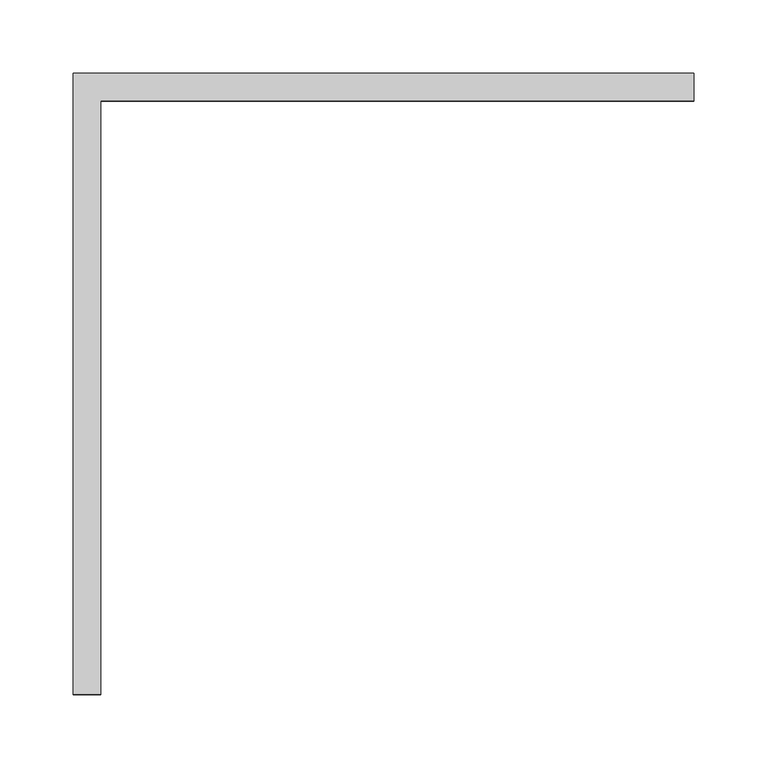
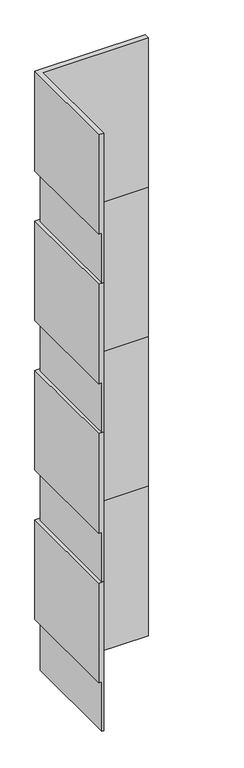
"""IFC4 building model written with IfcOpenShell, lengths in millimetres: proxy geometry."""

from ifc_helpers import new_model, si_unit, origin, place, context, project, spatial, faceted_brep, source, transform, mapped, element, save


def generic_models_9b5f698f(model_context):
    return source(origin(), model_context, "Body", "Brep", [
        faceted_brep([(-1835.15, -317.5, 2032.0), (-1835.15, -317.5, 1828.8), (-1828.8, -317.5, 1828.8), (-1828.8, -317.5, 2438.4), (-1847.85, -317.5, 2438.4), (-1847.85, -317.5, 2032.0), (-1835.15, 95.25, 2032.0), (-1835.15, 95.25, 1828.8), (-1422.4, 95.25, 1828.8), (-1422.4, 88.9, 1828.8), (-1828.8, 88.9, 1828.8), (-1828.8, 88.9, 2438.4), (-1422.4, 88.9, 2438.4), (-1422.4, 107.95, 2438.4), (-1847.85, 107.95, 2438.4), (-1847.85, 107.95, 2032.0), (-1422.4, 107.95, 2032.0), (-1422.4, 95.25, 2032.0)], [[[0, 1, 2, 3, 4, 5]], [[1, 0, 6, 7]], [[2, 1, 7, 8, 9, 10]], [[3, 2, 10, 11]], [[4, 3, 11, 12, 13, 14]], [[5, 4, 14, 15]], [[0, 5, 15, 16, 17, 6]], [[17, 16, 13, 12, 9, 8]], [[7, 6, 17, 8]], [[11, 10, 9, 12]], [[15, 14, 13, 16]]]),
        faceted_brep([(-1835.15, -317.5, 1422.4), (-1835.15, -317.5, 1219.2), (-1828.8, -317.5, 1219.2), (-1828.8, -317.5, 1828.8), (-1847.85, -317.5, 1828.8), (-1847.85, -317.5, 1422.4), (-1835.15, 95.25, 1422.4), (-1835.15, 95.25, 1219.2), (-1422.4, 95.25, 1219.2), (-1422.4, 88.9, 1219.2), (-1828.8, 88.9, 1219.2), (-1828.8, 88.9, 1828.8), (-1422.4, 88.9, 1828.8), (-1422.4, 107.95, 1828.8), (-1847.85, 107.95, 1828.8), (-1847.85, 107.95, 1422.4), (-1422.4, 107.95, 1422.4), (-1422.4, 95.25, 1422.4)], [[[0, 1, 2, 3, 4, 5]], [[1, 0, 6, 7]], [[2, 1, 7, 8, 9, 10]], [[3, 2, 10, 11]], [[4, 3, 11, 12, 13, 14]], [[5, 4, 14, 15]], [[0, 5, 15, 16, 17, 6]], [[17, 16, 13, 12, 9, 8]], [[7, 6, 17, 8]], [[11, 10, 9, 12]], [[15, 14, 13, 16]]]),
        faceted_brep([(-1835.15, -317.5, 812.8), (-1835.15, -317.5, 609.6), (-1828.8, -317.5, 609.6), (-1828.8, -317.5, 1219.2), (-1847.85, -317.5, 1219.2), (-1847.85, -317.5, 812.8), (-1835.15, 95.25, 812.8), (-1835.15, 95.25, 609.6), (-1422.4, 95.25, 609.6), (-1422.4, 88.9, 609.6), (-1828.8, 88.9, 609.6), (-1828.8, 88.9, 1219.2), (-1422.4, 88.9, 1219.2), (-1422.4, 107.95, 1219.2), (-1847.85, 107.95, 1219.2), (-1847.85, 107.95, 812.8), (-1422.4, 107.95, 812.8), (-1422.4, 95.25, 812.8)], [[[0, 1, 2, 3, 4, 5]], [[1, 0, 6, 7]], [[2, 1, 7, 8, 9, 10]], [[3, 2, 10, 11]], [[4, 3, 11, 12, 13, 14]], [[5, 4, 14, 15]], [[0, 5, 15, 16, 17, 6]], [[17, 16, 13, 12, 9, 8]], [[7, 6, 17, 8]], [[11, 10, 9, 12]], [[15, 14, 13, 16]]]),
        faceted_brep([(-1835.15, -317.5, 203.2), (-1835.15, -317.5, 0.0), (-1828.8, -317.5, 0.0), (-1828.8, -317.5, 609.6), (-1847.85, -317.5, 609.6), (-1847.85, -317.5, 203.2), (-1835.15, 95.25, 203.2), (-1835.15, 95.25, 0.0), (-1422.4, 95.25, 0.0), (-1422.4, 88.9, 0.0), (-1828.8, 88.9, 0.0), (-1828.8, 88.9, 609.6), (-1422.4, 88.9, 609.6), (-1422.4, 107.95, 609.6), (-1847.85, 107.95, 609.6), (-1847.85, 107.95, 203.2), (-1422.4, 107.95, 203.2), (-1422.4, 95.25, 203.2)], [[[0, 1, 2, 3, 4, 5]], [[1, 0, 6, 7]], [[2, 1, 7, 8, 9, 10]], [[3, 2, 10, 11]], [[4, 3, 11, 12, 13, 14]], [[5, 4, 14, 15]], [[0, 5, 15, 16, 17, 6]], [[17, 16, 13, 12, 9, 8]], [[7, 6, 17, 8]], [[11, 10, 9, 12]], [[15, 14, 13, 16]]]),
    ])


if __name__ == "__main__":
    model = new_model("IFC4")
    model_context = context("Model", 3, world=origin())
    ifc_project = project(units=[si_unit("LENGTHUNIT", "METRE", prefix="MILLI")], contexts=[model_context])
    site = spatial("IfcSite", under=ifc_project)
    building = spatial("IfcBuilding", under=site)
    placement = place(None, origin())
    generic_models_shape = generic_models_9b5f698f(model_context)
    element("IfcBuildingElementProxy", 1, Name="Generic Models", at=placement, inside=building, context=model_context, shape_type="MappedRepresentation", body=[
        mapped(generic_models_shape, transform((0.0, 0.0, 0.0), x_axis=(1.0, 0.0, 0.0), y_axis=(0.0, 1.0, 0.0), z_axis=(0.0, 0.0, 1.0))),
    ])
    save(model, "model.ifc")
